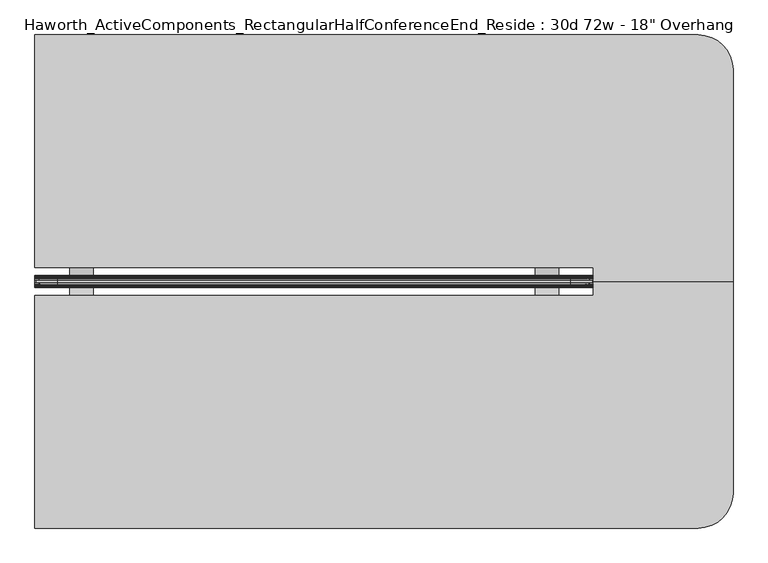
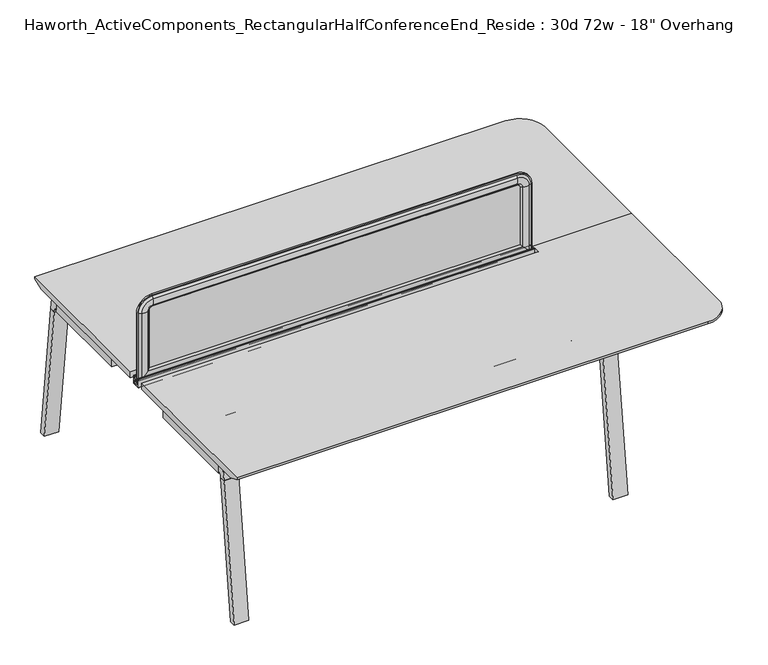
"""IFC4 building model written with IfcOpenShell, lengths in millimetres: furniture geometry."""

from ifc_helpers import new_model, si_unit, point, frame, frame_2d, origin, place, context, project, spatial, polyline, circle_curve, ellipse_curve, trimmed, segment, composite_curve, outline, extrude, source, transform, mapped, element, save
from ifc_brep_helpers import plane_surface, cylinder_surface, revolved_surface, advanced_brep


def furniture_dcbe6745(model_context):
    return source(origin(), model_context, "Body", "SolidModel", [
        extrude(outline(polyline([(-102.8131637, 708.5329874), (-151.7557795, 708.5329874), (-179.9497776, 698.5000242), (-219.096734, 698.5000242), (-247.7511736, 708.5329874), (-296.6937894, 708.5329874), (-296.6937894, 711.1999758), (-247.2908229, 711.1999031), (-219.0967817, 701.1670126), (-180.4101714, 701.1670126), (-152.2161302, 711.1999031), (-102.8131637, 711.1999758), (-102.8131637, 708.5329874)])), frame((939.8, 0.0, 0.0), z_axis=(1.0, 0.0, 0.0), x_axis=(0.0, 1.0, 0.0)), (0.0, 0.0, 1.0), 76.2),
        extrude(outline(polyline([(-102.8131637, 708.5329874), (-151.7557795, 708.5329874), (-179.9497776, 698.5000242), (-219.096734, 698.5000242), (-247.7511736, 708.5329874), (-296.6937894, 708.5329874), (-296.6937894, 711.1999758), (-247.2908229, 711.1999031), (-219.0967817, 701.1670126), (-180.4101714, 701.1670126), (-152.2161302, 711.1999031), (-102.8131637, 711.1999758), (-102.8131637, 708.5329874)])), frame((-584.2, 0.0, 0.0), z_axis=(1.0, 0.0, 0.0), x_axis=(0.0, 1.0, 0.0)), (0.0, 0.0, 1.0), 76.2),
        extrude(outline(composite_curve([segment(polyline([(-208.7577768, 705.1294161), (-190.7491763, 705.1294161), (-190.7491763, 716.8133686), (-194.6734763, 716.8133686), (-194.6734763, 718.8200048), (-189.5045768, 718.8200048), (-189.5045768, 721.0551882), (-188.310777, 722.0711872), (-188.310777, 737.1334219), (-189.5045768, 738.1494209), (-189.5045768, 740.1051882), (-188.4578397, 740.9960276)]), True, "CONTINUOUS"), segment(trimmed(circle_curve(frame_2d((-188.0216309, 740.4834819)), 0.6730388), [point((-188.4578397, 740.9960276))], [point((-187.3580762, 740.5960712))], False, "CARTESIAN"), True, "CONTINUOUS"), segment(polyline([(-187.3580762, 740.5960712), (-186.2533763, 734.0854248), (-186.2533763, 721.131419), (-183.1037763, 721.131419), (-183.1037763, 725.1191843), (-182.3544761, 725.8812017), (-182.3544761, 740.3039756)]), True, "CONTINUOUS"), segment(trimmed(circle_curve(frame_2d((-181.5543762, 740.3039756)), 0.8000999), [point((-182.3544761, 740.3039756))], [point((-180.7542763, 740.3039756))], False, "CARTESIAN"), True, "CONTINUOUS"), segment(polyline([(-180.7542763, 740.3039756), (-180.7542763, 702.1830128)]), True, "CONTINUOUS"), segment(trimmed(circle_curve(frame_2d((-181.7702764, 702.1830128)), 1.0160002), [point((-180.7542763, 702.1830128))], [point((-181.7702764, 701.1670126))], False, "CARTESIAN"), True, "CONTINUOUS"), segment(polyline([(-181.7702764, 701.1670126), (-217.7366767, 701.1670126)]), True, "CONTINUOUS"), segment(trimmed(circle_curve(frame_2d((-217.7366767, 702.1830128)), 1.0160002), [point((-217.7366767, 701.1670126))], [point((-218.7526768, 702.1830128))], False, "CARTESIAN"), True, "CONTINUOUS"), segment(polyline([(-218.7526768, 702.1830128), (-218.7526768, 740.3039756)]), True, "CONTINUOUS"), segment(trimmed(circle_curve(frame_2d((-217.9525769, 740.3039756)), 0.8000999), [point((-218.7526768, 740.3039756))], [point((-217.152477, 740.3039756))], False, "CARTESIAN"), True, "CONTINUOUS"), segment(polyline([(-217.152477, 740.3039756), (-217.152477, 725.8812017), (-216.4031768, 725.1191843), (-216.4031768, 721.131419), (-213.2535769, 721.131419), (-213.2535769, 734.0854248), (-212.1488769, 740.5960712)]), True, "CONTINUOUS"), segment(trimmed(circle_curve(frame_2d((-211.4853222, 740.4834819)), 0.6730388), [point((-212.1488769, 740.5960712))], [point((-211.0491134, 740.9960276))], False, "CARTESIAN"), True, "CONTINUOUS"), segment(polyline([(-211.0491134, 740.9960276), (-210.0023763, 740.1051882), (-210.0023763, 738.1494209), (-211.1961761, 737.1334219), (-211.1961761, 722.0711872), (-210.0023763, 721.0551882), (-210.0023763, 718.8200048), (-204.8334768, 718.8200048), (-204.8334768, 716.8133686), (-208.7577768, 716.8133686), (-208.7577768, 705.1294161)]), True, "CONTINUOUS")], self_intersect=False)), frame((-698.5, 0.0, 0.0), z_axis=(1.0, 0.0, 0.0), x_axis=(0.0, 1.0, 0.0)), (0.0, 0.0, 1.0), 1828.8),
        extrude(outline(composite_curve([segment(polyline([(-891.6458875, 655.8564478), (-885.4428556, 706.4375), (-849.0409766, 706.4375), (-849.0409766, 676.1402033), (-850.2831935, 676.1402033)]), True, "CONTINUOUS"), segment(trimmed(circle_curve(frame_2d((-850.2831935, 663.4402033)), 12.7), [point((-850.2831935, 676.1402033))], [point((-862.8887567, 664.9860929))], True, "CARTESIAN"), True, "CONTINUOUS"), segment(polyline([(-862.8887567, 664.9860929), (-864.4178701, 652.5173267), (-891.6458875, 655.8564478)]), True, "CONTINUOUS")], self_intersect=False)), frame((-692.0507813, 0.0, 0.0), z_axis=(1.0, 0.0, 0.0), x_axis=(0.0, 1.0, 0.0)), (0.0, 0.0, 1.0), 67.6671875),
        extrude(outline(polyline([(-972.0771615, 0.0), (-891.6458875, 655.8564478), (-864.4178701, 652.5173267), (-944.4396597, 0.0), (-972.0771615, 0.0)])), frame((-692.0507813, 0.0, 0.0), z_axis=(1.0, 0.0, 0.0), x_axis=(0.0, 1.0, 0.0)), (0.0, 0.0, 1.0), 67.6671875),
        extrude(outline(composite_curve([segment(polyline([(-891.6458875, 655.8564478), (-885.4428556, 706.4375), (-849.0409766, 706.4375), (-849.0409766, 676.1402033), (-850.2831935, 676.1402033)]), True, "CONTINUOUS"), segment(trimmed(circle_curve(frame_2d((-850.2831935, 663.4402033)), 12.7), [point((-850.2831935, 676.1402033))], [point((-862.8887567, 664.9860929))], True, "CARTESIAN"), True, "CONTINUOUS"), segment(polyline([(-862.8887567, 664.9860929), (-864.4178701, 652.5173267), (-891.6458875, 655.8564478)]), True, "CONTINUOUS")], self_intersect=False)), frame((1056.1835937, 0.0, 0.0), z_axis=(1.0, 0.0, 0.0), x_axis=(0.0, 1.0, 0.0)), (0.0, 0.0, 1.0), 67.6671875),
        extrude(outline(polyline([(-972.0771615, 0.0), (-891.6458875, 655.8564478), (-864.4178701, 652.5173267), (-944.4396597, 0.0), (-972.0771615, 0.0)])), frame((1056.1835937, 0.0, 0.0), z_axis=(1.0, 0.0, 0.0), x_axis=(0.0, 1.0, 0.0)), (0.0, 0.0, 1.0), 67.6671875),
        extrude(outline(composite_curve([segment(polyline([(492.1389344, 655.8564478), (464.910917, 652.5173267), (463.3818036, 664.9860929)]), True, "CONTINUOUS"), segment(trimmed(circle_curve(frame_2d((450.7762403, 663.4402033)), 12.7), [point((463.3818036, 664.9860929))], [point((450.7762403, 676.1402033))], True, "CARTESIAN"), True, "CONTINUOUS"), segment(polyline([(450.7762403, 676.1402033), (449.5340234, 676.1402033), (449.5340234, 706.4375), (485.9359025, 706.4375), (492.1389344, 655.8564478)]), True, "CONTINUOUS")], self_intersect=False)), frame((-692.0507813, 0.0, 0.0), z_axis=(1.0, 0.0, 0.0), x_axis=(0.0, 1.0, 0.0)), (0.0, 0.0, 1.0), 67.6671875),
        extrude(outline(polyline([(572.5702084, 0.0), (544.9327065, 0.0), (464.910917, 652.5173267), (492.1389344, 655.8564478), (572.5702084, 0.0)])), frame((-692.0507813, 0.0, 0.0), z_axis=(1.0, 0.0, 0.0), x_axis=(0.0, 1.0, 0.0)), (0.0, 0.0, 1.0), 67.6671875),
        extrude(outline(composite_curve([segment(polyline([(492.1389344, 655.8564478), (464.910917, 652.5173267), (463.3818036, 664.9860929)]), True, "CONTINUOUS"), segment(trimmed(circle_curve(frame_2d((450.7762403, 663.4402033)), 12.7), [point((463.3818036, 664.9860929))], [point((450.7762403, 676.1402033))], True, "CARTESIAN"), True, "CONTINUOUS"), segment(polyline([(450.7762403, 676.1402033), (449.5340234, 676.1402033), (449.5340234, 706.4375), (485.9359025, 706.4375), (492.1389344, 655.8564478)]), True, "CONTINUOUS")], self_intersect=False)), frame((1056.1835937, 0.0, 0.0), z_axis=(1.0, 0.0, 0.0), x_axis=(0.0, 1.0, 0.0)), (0.0, 0.0, 1.0), 67.6671875),
        extrude(outline(polyline([(572.5702084, 0.0), (544.9327065, 0.0), (464.910917, 652.5173267), (492.1389344, 655.8564478), (572.5702084, 0.0)])), frame((1056.1835937, 0.0, 0.0), z_axis=(1.0, 0.0, 0.0), x_axis=(0.0, 1.0, 0.0)), (0.0, 0.0, 1.0), 67.6671875),
        extrude(outline(composite_curve([segment(trimmed(circle_curve(frame_2d((331.6621484, 673.1634651)), 1.5875), [point((331.6621484, 671.5759651))], [point((330.0746484, 673.1634651))], False, "CARTESIAN"), True, "CONTINUOUS"), segment(polyline([(330.0746484, 673.1634651), (330.0746484, 705.040468)]), True, "CONTINUOUS"), segment(trimmed(circle_curve(frame_2d((331.6621484, 705.040468)), 1.5875), [point((330.0746484, 705.040468))], [point((331.6621484, 706.627968))], False, "CARTESIAN"), True, "CONTINUOUS"), segment(polyline([(331.6621484, 706.627968), (363.5391514, 706.627968)]), True, "CONTINUOUS"), segment(trimmed(circle_curve(frame_2d((363.5391514, 705.040468)), 1.5875), [point((363.5391514, 706.627968))], [point((365.1266514, 705.040468))], False, "CARTESIAN"), True, "CONTINUOUS"), segment(polyline([(365.1266514, 705.040468), (365.1266514, 673.1634651)]), True, "CONTINUOUS"), segment(trimmed(circle_curve(frame_2d((363.5391514, 673.1634651)), 1.5875), [point((365.1266514, 673.1634651))], [point((363.5391514, 671.5759651))], False, "CARTESIAN"), True, "CONTINUOUS"), segment(polyline([(363.5391514, 671.5759651), (331.6621484, 671.5759651)]), True, "CONTINUOUS")], self_intersect=False)), frame((-552.0569067, 0.0, 0.0), z_axis=(1.0, 0.0, 0.0), x_axis=(0.0, 1.0, 0.0)), (0.0, 0.0, 1.0), 1535.9138134),
        extrude(outline(composite_curve([segment(polyline([(122.9058984, 671.5759651), (91.0288955, 671.5759651)]), True, "CONTINUOUS"), segment(trimmed(circle_curve(frame_2d((91.0288955, 673.1634651)), 1.5875), [point((91.0288955, 671.5759651))], [point((89.4413955, 673.1634651))], False, "CARTESIAN"), True, "CONTINUOUS"), segment(polyline([(89.4413955, 673.1634651), (89.4413955, 705.040468)]), True, "CONTINUOUS"), segment(trimmed(circle_curve(frame_2d((91.0288955, 705.040468)), 1.5875), [point((89.4413955, 705.040468))], [point((91.0288955, 706.627968))], False, "CARTESIAN"), True, "CONTINUOUS"), segment(polyline([(91.0288955, 706.627968), (122.9058984, 706.627968)]), True, "CONTINUOUS"), segment(trimmed(circle_curve(frame_2d((122.9058984, 705.040468)), 1.5875), [point((122.9058984, 706.627968))], [point((124.4933984, 705.040468))], False, "CARTESIAN"), True, "CONTINUOUS"), segment(polyline([(124.4933984, 705.040468), (124.4933984, 673.1634651)]), True, "CONTINUOUS"), segment(trimmed(circle_curve(frame_2d((122.9058984, 673.1634651)), 1.5875), [point((124.4933984, 673.1634651))], [point((122.9058984, 671.5759651))], False, "CARTESIAN"), True, "CONTINUOUS")], self_intersect=False)), frame((-552.0569067, 0.0, 0.0), z_axis=(1.0, 0.0, 0.0), x_axis=(0.0, 1.0, 0.0)), (0.0, 0.0, 1.0), 1535.9138134),
        extrude(outline(polyline([(-692.2109398, 449.3435251), (-624.7009067, 449.3435251), (-624.7009067, 441.9775234), (-552.0569067, 369.3335234), (-552.0569067, 294.4035234), (-624.7009067, 265.1300234), (-624.7009067, 189.4380234), (-552.0569067, 160.1645234), (-552.0569067, 85.2345234), (-624.7009067, 12.5905234), (-624.7009067, 5.2245217), (-692.2109398, 5.2245217), (-692.2109398, 449.3435251)])), frame((0.0, 0.0, 665.95625), z_axis=(0.0, 0.0, 1.0), x_axis=(1.0, 0.0, 0.0)), (0.0, 0.0, 1.0), 45.24375),
        extrude(outline(polyline([(1124.0109398, 449.3435251), (1124.0109398, 5.2245217), (1056.5009067, 5.2245217), (1056.5009067, 12.5905234), (983.8569067, 85.2345234), (983.8569067, 160.1645234), (1056.5009067, 189.4380234), (1056.5009067, 265.1300234), (983.8569067, 294.4035234), (983.8569067, 369.3335234), (1056.5009067, 441.9775234), (1056.5009067, 449.3435251), (1124.0109398, 449.3435251)])), frame((0.0, 0.0, 665.95625), z_axis=(0.0, 0.0, 1.0), x_axis=(1.0, 0.0, 0.0)), (0.0, 0.0, 1.0), 45.24375),
        advanced_brep(
        [(1130.3, -153.7159766, 741.3625), (1130.3, -199.7534766, 741.3625), (1587.5, -199.7534766, 741.3625), (1587.5, 493.9840234, 741.3625), (1473.2, 608.2840234, 741.3625), (-698.5, 608.2840234, 741.3625), (-698.5, -153.7159766, 741.3625), (1130.3, -153.7159766, 711.2), (-698.5, -153.7159766, 711.2), (-698.5, 557.4840234, 711.2), (1473.2, 557.4840234, 711.2), (1536.7, 493.9840234, 711.2), (1536.7, -199.7534766, 711.2), (1130.3, -199.7534766, 711.2), (-698.5, 608.2840234, 731.8375), (1473.2, 608.2840234, 731.8375), (1587.5, -199.7534766, 731.8375), (1587.5, 493.9840234, 731.8375)],
        [
            (0, 1),
            (1, 2),
            (2, 3),
            (3, 4, circle_curve(frame((1473.2, 493.9840234, 741.3625), z_axis=(0.0, 0.0, 1.0), x_axis=(1.0, 0.0, 0.0)), 114.3)),
            (4, 5),
            (5, 6),
            (6, 0),
            (7, 8),
            (8, 9),
            (9, 10),
            (10, 11, circle_curve(frame((1473.2, 493.9840234, 711.2), z_axis=(0.0, 0.0, -1.0), x_axis=(0.0, 1.0, 0.0)), 63.5)),
            (11, 12),
            (12, 13),
            (13, 7),
            (6, 8),
            (7, 0),
            (5, 14),
            (14, 9),
            (4, 15),
            (15, 14),
            (2, 16),
            (16, 17),
            (17, 3),
            (17, 15, circle_curve(frame((1473.2, 493.9840234, 731.8375), z_axis=(0.0, 0.0, 1.0), x_axis=(1.0, 0.0, 0.0)), 114.3)),
            (1, 13),
            (12, 16),
            (15, 10),
            (17, 11),
        ],
        [
            plane_surface(frame((-698.5, -153.7159766, 741.3625), z_axis=(0.0, 0.0, 1.0), x_axis=(-1.0, 0.0, 0.0))),
            plane_surface(frame((-698.5, -153.7159766, 711.2), z_axis=(0.0, 0.0, -1.0), x_axis=(1.0, 0.0, 0.0))),
            plane_surface(frame((1130.3, -153.7159766, 741.3625), z_axis=(0.0, -1.0, 0.0), x_axis=(0.0, 0.0, -1.0))),
            plane_surface(frame((-698.5, -153.7159766, 741.3625), z_axis=(-1.0, 0.0, 0.0), x_axis=(0.0, 0.0, -1.0))),
            plane_surface(frame((-698.5, 608.2840234, 741.3625), z_axis=(0.0, 1.0, 0.0), x_axis=(0.0, 0.0, -1.0))),
            plane_surface(frame((1587.5, 493.9840234, 741.3625), z_axis=(1.0, 0.0, 0.0), x_axis=(0.0, 0.0, -1.0))),
            cylinder_surface(frame((1473.2, 493.9840234, 711.2), z_axis=(0.0, 0.0, 1.0), x_axis=(1.0, 0.0, 0.0)), 114.3),
            plane_surface(frame((1587.5, -199.7534766, 741.3625), z_axis=(0.0, -1.0, 0.0), x_axis=(0.0, 0.0, -1.0))),
            plane_surface(frame((1130.3, -199.7534766, 741.3625), z_axis=(-1.0, 0.0, 0.0), x_axis=(0.0, 0.0, -1.0))),
            plane_surface(frame((-698.5, 608.2840234, 731.8375), z_axis=(0.0, 0.376377046957703, -0.9264665771215921), x_axis=(1.0, 0.0, 0.0))),
            revolved_surface(polyline([(1473.2, 557.4840234, 711.2), (1473.2, 608.2840234, 731.8375)]), (1473.2, 493.9840234, 0.0), (0.0, 0.0, 1.0)),
            plane_surface(frame((1587.5, 493.9840234, 731.8375), z_axis=(0.376377046957703, 0.0, -0.9264665771215921), x_axis=(0.0, -1.0, 0.0))),
        ],
        [
            (0, [[1, 2, 3, 4, 5, 6, 7]]),
            (1, [[8, 9, 10, 11, 12, 13, 14]]),
            (2, [[15, -8, 16, -7]]),
            (3, [[17, 18, -9, -15, -6]]),
            (4, [[19, 20, -17, -5]]),
            (5, [[21, 22, 23, -3]]),
            (6, [[-23, 24, -19, -4]]),
            (7, [[25, -13, 26, -21, -2]]),
            (8, [[-16, -14, -25, -1]]),
            (9, [[-10, -18, -20, 27]]),
            (10, [[-24, 28, -11, -27]]),
            (11, [[-22, -26, -12, -28]]),
        ],
    ),
        advanced_brep(
        [(-694.5096882, -202.9284766, 1050.2564604), (-694.5096882, -196.5784766, 1050.2564604), (-694.5096882, -196.5784766, 715.4852418), (-694.5096882, -202.9284766, 715.4852418), (-678.9815318, -209.5746374, 1050.2564604), (-688.6365135, -202.9284766, 1050.2564604), (-688.6365135, -202.9284766, 721.3584165), (-678.9815318, -209.5746374, 731.0133982), (-650.0002339, -209.0412011, 1050.2564604), (-650.0002339, -209.0412011, 759.994696), (-640.207009, -202.9284766, 1050.2564604), (-640.207009, -202.9284766, 769.787921), (-640.207009, -196.5784766, 1050.2564604), (-640.207009, -196.5784766, 769.787921), (-650.0002339, -190.465752, 1050.2564604), (-650.0002339, -190.465752, 759.994696), (-678.9815318, -189.9323157, 1050.2564604), (-678.9815318, -189.9323157, 731.0133982), (-688.6365135, -196.5784766, 1050.2564604), (-688.6365135, -196.5784766, 721.3584165), (1126.3096859, -196.5784766, 715.4852418), (1126.3096859, -202.9284766, 715.4852418), (1120.4365112, -202.9284766, 721.3584165), (1110.7815295, -209.5746374, 731.0133982), (1081.8002317, -209.0412011, 759.994696), (1072.0070068, -202.9284766, 769.787921), (1072.0070068, -196.5784766, 769.787921), (1081.8002317, -190.465752, 759.994696), (1110.7815295, -189.9323157, 731.0133982), (1120.4365112, -196.5784766, 721.3584165), (1126.3096859, -196.5784766, 1050.2564604), (1126.3096859, -202.9284766, 1050.2564604), (1120.4365112, -202.9284766, 1050.2564604), (1110.7815295, -209.5746374, 1050.2564604), (1081.8002317, -209.0412011, 1050.2564604), (1072.0070068, -202.9284766, 1050.2564604), (1072.0070068, -196.5784766, 1050.2564604), (1081.8002317, -190.465752, 1050.2564604), (1110.7815295, -189.9323157, 1050.2564604), (1120.4365112, -196.5784766, 1050.2564604), (1056.1320068, -202.9284766, 1120.4341395), (1056.1320068, -196.5784766, 1120.4341395), (1056.1320068, -209.5746374, 1104.9059832), (1056.1320068, -202.9284766, 1114.5609648), (1056.1320068, -209.0412011, 1075.9246853), (1056.1320068, -202.9284766, 1066.1314604), (1056.1320068, -196.5784766, 1066.1314604), (1056.1320068, -190.465752, 1075.9246853), (1056.1320068, -189.9323157, 1104.9059832), (1056.1320068, -196.5784766, 1114.5609648), (-624.332009, -196.5784766, 1120.4341395), (-624.332009, -202.9284766, 1120.4341395), (-624.332009, -202.9284766, 1114.5609648), (-624.332009, -209.5746374, 1104.9059832), (-624.332009, -209.0412011, 1075.9246853), (-624.332009, -202.9284766, 1066.1314604), (-624.332009, -196.5784766, 1066.1314604), (-624.332009, -190.465752, 1075.9246853), (-624.332009, -189.9323157, 1104.9059832), (-624.332009, -196.5784766, 1114.5609648)],
        [
            (0, 1),
            (1, 2),
            (2, 3),
            (3, 0),
            (4, 5, circle_curve(frame((-674.7864346, -193.1443023, 1050.2564604), z_axis=(0.0, 0.0, -1.0), x_axis=(0.0, -1.0, 0.0)), 16.9574394)),
            (5, 6),
            (6, 7, ellipse_curve(frame((-674.7864346, -193.1443023, 735.2084954), z_axis=(-0.707106781186545, 0.0, 0.7071067811865499), x_axis=(0.7071067811865498, 0.0, 0.7071067811865452)), 23.9814408, 16.9574394)),
            (7, 4),
            (8, 4, circle_curve(frame((-665.4606786, -156.619453, 1050.2564604), z_axis=(0.0, 0.0, -1.0), x_axis=(0.0, -1.0, 0.0)), 54.6540486)),
            (7, 9, ellipse_curve(frame((-665.4606786, -156.619453, 744.5342514), z_axis=(-0.707106781186545, 0.0, 0.7071067811865499), x_axis=(0.7071067811865498, 0.0, 0.7071067811865452)), 77.2924967, 54.6540486)),
            (9, 8),
            (10, 8, circle_curve(frame((-656.0950958, -188.375346, 1050.2564604), z_axis=(0.0, 0.0, -1.0), x_axis=(0.0, -1.0, 0.0)), 21.5458792)),
            (9, 11, ellipse_curve(frame((-656.0950958, -188.375346, 753.8998342), z_axis=(-0.707106781186545, 0.0, 0.7071067811865499), x_axis=(0.7071067811865498, 0.0, 0.7071067811865452)), 30.4704745, 21.5458792)),
            (11, 10),
            (12, 10),
            (11, 13),
            (13, 12),
            (14, 12, circle_curve(frame((-656.0950958, -211.1316071, 1050.2564604), z_axis=(0.0, 0.0, -1.0), x_axis=(0.0, -1.0, 0.0)), 21.5458792)),
            (13, 15, ellipse_curve(frame((-656.0950958, -211.1316071, 753.8998342), z_axis=(-0.707106781186545, 0.0, 0.7071067811865499), x_axis=(0.7071067811865498, 0.0, 0.7071067811865452)), 30.4704745, 21.5458792)),
            (15, 14),
            (16, 14, circle_curve(frame((-665.4606786, -242.8875001, 1050.2564604), z_axis=(0.0, 0.0, -1.0), x_axis=(0.0, -1.0, 0.0)), 54.6540486)),
            (15, 17, ellipse_curve(frame((-665.4606786, -242.8875001, 744.5342514), z_axis=(-0.707106781186545, 0.0, 0.7071067811865499), x_axis=(0.7071067811865498, 0.0, 0.7071067811865452)), 77.2924967, 54.6540486)),
            (17, 16),
            (18, 16, circle_curve(frame((-674.7864346, -206.3626508, 1050.2564604), z_axis=(0.0, 0.0, -1.0), x_axis=(0.0, -1.0, 0.0)), 16.9574394)),
            (17, 19, ellipse_curve(frame((-674.7864346, -206.3626508, 735.2084954), z_axis=(-0.707106781186545, 0.0, 0.7071067811865499), x_axis=(0.7071067811865498, 0.0, 0.7071067811865452)), 23.9814408, 16.9574394)),
            (19, 18),
            (2, 20),
            (20, 21),
            (21, 3),
            (6, 22),
            (22, 23, ellipse_curve(frame((1106.5864323, -193.1443023, 735.2084954), z_axis=(-0.70710678118655, 0.0, -0.7071067811865451), x_axis=(-0.7071067811865449, 0.0, 0.7071067811865501)), 23.9814408, 16.9574394)),
            (23, 7),
            (23, 24, ellipse_curve(frame((1097.2606764, -156.619453, 744.5342514), z_axis=(-0.70710678118655, 0.0, -0.7071067811865451), x_axis=(-0.7071067811865449, 0.0, 0.7071067811865501)), 77.2924967, 54.6540486)),
            (24, 9),
            (24, 25, ellipse_curve(frame((1087.8950935, -188.375346, 753.8998342), z_axis=(-0.70710678118655, 0.0, -0.7071067811865451), x_axis=(-0.7071067811865449, 0.0, 0.7071067811865501)), 30.4704745, 21.5458792)),
            (25, 11),
            (25, 26),
            (26, 13),
            (26, 27, ellipse_curve(frame((1087.8950935, -211.1316071, 753.8998342), z_axis=(-0.70710678118655, 0.0, -0.7071067811865451), x_axis=(-0.7071067811865449, 0.0, 0.7071067811865501)), 30.4704745, 21.5458792)),
            (27, 15),
            (27, 28, ellipse_curve(frame((1097.2606764, -242.8875001, 744.5342514), z_axis=(-0.70710678118655, 0.0, -0.7071067811865451), x_axis=(-0.7071067811865449, 0.0, 0.7071067811865501)), 77.2924967, 54.6540486)),
            (28, 17),
            (28, 29, ellipse_curve(frame((1106.5864323, -206.3626508, 735.2084954), z_axis=(-0.70710678118655, 0.0, -0.7071067811865451), x_axis=(-0.7071067811865449, 0.0, 0.7071067811865501)), 23.9814408, 16.9574394)),
            (29, 19),
            (20, 30),
            (30, 31),
            (31, 21),
            (22, 32),
            (32, 33, circle_curve(frame((1106.5864323, -193.1443023, 1050.2564604), z_axis=(0.0, 0.0, -1.0), x_axis=(0.0, -1.0, 0.0)), 16.9574394)),
            (33, 23),
            (33, 34, circle_curve(frame((1097.2606764, -156.619453, 1050.2564604), z_axis=(0.0, 0.0, -1.0), x_axis=(0.0, -1.0, 0.0)), 54.6540486)),
            (34, 24),
            (34, 35, circle_curve(frame((1087.8950935, -188.375346, 1050.2564604), z_axis=(0.0, 0.0, -1.0), x_axis=(0.0, -1.0, 0.0)), 21.5458792)),
            (35, 25),
            (35, 36),
            (36, 26),
            (36, 37, circle_curve(frame((1087.8950935, -211.1316071, 1050.2564604), z_axis=(0.0, 0.0, -1.0), x_axis=(0.0, -1.0, 0.0)), 21.5458792)),
            (37, 27),
            (37, 38, circle_curve(frame((1097.2606764, -242.8875001, 1050.2564604), z_axis=(0.0, 0.0, -1.0), x_axis=(0.0, -1.0, 0.0)), 54.6540486)),
            (38, 28),
            (38, 39, circle_curve(frame((1106.5864323, -206.3626508, 1050.2564604), z_axis=(0.0, 0.0, -1.0), x_axis=(0.0, -1.0, 0.0)), 16.9574394)),
            (39, 29),
            (40, 31, circle_curve(frame((1056.1320068, -202.9284766, 1050.2564604), z_axis=(0.0, 1.0, 0.0), x_axis=(1.0, 0.0, 0.0)), 70.1776791)),
            (30, 41, circle_curve(frame((1056.1320068, -196.5784766, 1050.2564604), z_axis=(0.0, -1.0, 0.0), x_axis=(1.0, 0.0, 0.0)), 70.1776791)),
            (41, 40),
            (42, 33, circle_curve(frame((1056.1320068, -209.5746374, 1050.2564604), z_axis=(0.0, 1.0, 0.0), x_axis=(1.0, 0.0, 0.0)), 54.6495228)),
            (32, 43, circle_curve(frame((1056.1320068, -202.9284766, 1050.2564604), z_axis=(0.0, -1.0, 0.0), x_axis=(1.0, 0.0, 0.0)), 64.3045045)),
            (43, 42, circle_curve(frame((1056.1320068, -193.1443023, 1100.7108859), z_axis=(1.0, 0.0, 0.0), x_axis=(0.0, -1.0, 0.0)), 16.9574394)),
            (44, 34, circle_curve(frame((1056.1320068, -209.0412011, 1050.2564604), z_axis=(0.0, 1.0, 0.0), x_axis=(1.0, 0.0, 0.0)), 25.6682249)),
            (42, 44, circle_curve(frame((1056.1320068, -156.619453, 1091.38513), z_axis=(1.0, 0.0, 0.0), x_axis=(0.0, -1.0, 0.0)), 54.6540486)),
            (45, 35, circle_curve(frame((1056.1320068, -202.9284766, 1050.2564604), z_axis=(0.0, 1.0, 0.0), x_axis=(1.0, 0.0, 0.0)), 15.875)),
            (44, 45, circle_curve(frame((1056.1320068, -188.375346, 1082.0195471), z_axis=(1.0, 0.0, 0.0), x_axis=(0.0, -1.0, 0.0)), 21.5458792)),
            (46, 36, circle_curve(frame((1056.1320068, -196.5784766, 1050.2564604), z_axis=(0.0, 1.0, 0.0), x_axis=(1.0, 0.0, 0.0)), 15.875)),
            (45, 46),
            (47, 37, circle_curve(frame((1056.1320068, -190.465752, 1050.2564604), z_axis=(0.0, 1.0, 0.0), x_axis=(1.0, 0.0, 0.0)), 25.6682249)),
            (46, 47, circle_curve(frame((1056.1320068, -211.1316071, 1082.0195471), z_axis=(1.0, 0.0, 0.0), x_axis=(0.0, -1.0, 0.0)), 21.5458792)),
            (48, 38, circle_curve(frame((1056.1320068, -189.9323157, 1050.2564604), z_axis=(0.0, 1.0, 0.0), x_axis=(1.0, 0.0, 0.0)), 54.6495228)),
            (47, 48, circle_curve(frame((1056.1320068, -242.8875001, 1091.38513), z_axis=(1.0, 0.0, 0.0), x_axis=(0.0, -1.0, 0.0)), 54.6540486)),
            (49, 39, circle_curve(frame((1056.1320068, -196.5784766, 1050.2564604), z_axis=(0.0, 1.0, 0.0), x_axis=(1.0, 0.0, 0.0)), 64.3045045)),
            (48, 49, circle_curve(frame((1056.1320068, -206.3626508, 1100.7108859), z_axis=(1.0, 0.0, 0.0), x_axis=(0.0, -1.0, 0.0)), 16.9574394)),
            (41, 50),
            (50, 51),
            (51, 40),
            (43, 52),
            (52, 53, circle_curve(frame((-624.332009, -193.1443023, 1100.7108859), z_axis=(1.0, 0.0, 0.0), x_axis=(0.0, -1.0, 0.0)), 16.9574394)),
            (53, 42),
            (53, 54, circle_curve(frame((-624.332009, -156.619453, 1091.38513), z_axis=(1.0, 0.0, 0.0), x_axis=(0.0, -1.0, 0.0)), 54.6540486)),
            (54, 44),
            (54, 55, circle_curve(frame((-624.332009, -188.375346, 1082.0195471), z_axis=(1.0, 0.0, 0.0), x_axis=(0.0, -1.0, 0.0)), 21.5458792)),
            (55, 45),
            (55, 56),
            (56, 46),
            (56, 57, circle_curve(frame((-624.332009, -211.1316071, 1082.0195471), z_axis=(1.0, 0.0, 0.0), x_axis=(0.0, -1.0, 0.0)), 21.5458792)),
            (57, 47),
            (57, 58, circle_curve(frame((-624.332009, -242.8875001, 1091.38513), z_axis=(1.0, 0.0, 0.0), x_axis=(0.0, -1.0, 0.0)), 54.6540486)),
            (58, 48),
            (58, 59, circle_curve(frame((-624.332009, -206.3626508, 1100.7108859), z_axis=(1.0, 0.0, 0.0), x_axis=(0.0, -1.0, 0.0)), 16.9574394)),
            (59, 49),
            (0, 51, circle_curve(frame((-624.332009, -202.9284766, 1050.2564604), z_axis=(0.0, 1.0, 0.0), x_axis=(0.0, 0.0, 1.0)), 70.1776791)),
            (50, 1, circle_curve(frame((-624.332009, -196.5784766, 1050.2564604), z_axis=(0.0, -1.0, 0.0), x_axis=(0.0, 0.0, 1.0)), 70.1776791)),
            (5, 52, circle_curve(frame((-624.332009, -202.9284766, 1050.2564604), z_axis=(0.0, 1.0, 0.0), x_axis=(0.0, 0.0, 1.0)), 64.3045045)),
            (4, 53, circle_curve(frame((-624.332009, -209.5746374, 1050.2564604), z_axis=(0.0, 1.0, 0.0), x_axis=(0.0, 0.0, 1.0)), 54.6495228)),
            (8, 54, circle_curve(frame((-624.332009, -209.0412011, 1050.2564604), z_axis=(0.0, 1.0, 0.0), x_axis=(0.0, 0.0, 1.0)), 25.6682249)),
            (10, 55, circle_curve(frame((-624.332009, -202.9284766, 1050.2564604), z_axis=(0.0, 1.0, 0.0), x_axis=(0.0, 0.0, 1.0)), 15.875)),
            (12, 56, circle_curve(frame((-624.332009, -196.5784766, 1050.2564604), z_axis=(0.0, 1.0, 0.0), x_axis=(0.0, 0.0, 1.0)), 15.875)),
            (14, 57, circle_curve(frame((-624.332009, -190.465752, 1050.2564604), z_axis=(0.0, 1.0, 0.0), x_axis=(0.0, 0.0, 1.0)), 25.6682249)),
            (16, 58, circle_curve(frame((-624.332009, -189.9323157, 1050.2564604), z_axis=(0.0, 1.0, 0.0), x_axis=(0.0, 0.0, 1.0)), 54.6495228)),
            (18, 59, circle_curve(frame((-624.332009, -196.5784766, 1050.2564604), z_axis=(0.0, 1.0, 0.0), x_axis=(0.0, 0.0, 1.0)), 64.3045045)),
        ],
        [
            plane_surface(frame((-694.5096882, -196.5784766, 1050.2564604), z_axis=(-1.0, 0.0, 0.0), x_axis=(0.0, 0.0, -1.0))),
            cylinder_surface(frame((-674.7864346, -193.1443023, 1050.2564604), z_axis=(0.0, 0.0, 1.0), x_axis=(0.0, -1.0, 0.0)), 16.9574394),
            cylinder_surface(frame((-665.4606786, -156.619453, 1050.2564604), z_axis=(0.0, 0.0, 1.0), x_axis=(0.0, -1.0, 0.0)), 54.6540486),
            cylinder_surface(frame((-656.0950958, -188.375346, 1050.2564604), z_axis=(0.0, 0.0, 1.0), x_axis=(0.0, -1.0, 0.0)), 21.5458792),
            plane_surface(frame((-640.207009, -202.9284766, 1050.2564604), z_axis=(1.0, 0.0, 0.0), x_axis=(0.0, 0.0, -1.0))),
            cylinder_surface(frame((-656.0950958, -211.1316071, 1050.2564604), z_axis=(0.0, 0.0, 1.0), x_axis=(0.0, -1.0, 0.0)), 21.5458792),
            cylinder_surface(frame((-665.4606786, -242.8875001, 1050.2564604), z_axis=(0.0, 0.0, 1.0), x_axis=(0.0, -1.0, 0.0)), 54.6540486),
            cylinder_surface(frame((-674.7864346, -206.3626508, 1050.2564604), z_axis=(0.0, 0.0, 1.0), x_axis=(0.0, -1.0, 0.0)), 16.9574394),
            plane_surface(frame((-694.5096882, -196.5784766, 715.4852418), z_axis=(0.0, 0.0, -1.0), x_axis=(1.0, 0.0, 0.0))),
            cylinder_surface(frame((-640.207009, -193.1443023, 735.2084954), z_axis=(-1.0, 0.0, 0.0), x_axis=(0.0, -1.0, 0.0)), 16.9574394),
            cylinder_surface(frame((-640.207009, -156.619453, 744.5342514), z_axis=(-1.0, 0.0, 0.0), x_axis=(0.0, -1.0, 0.0)), 54.6540486),
            cylinder_surface(frame((-640.207009, -188.375346, 753.8998342), z_axis=(-1.0, 0.0, 0.0), x_axis=(0.0, -1.0, 0.0)), 21.5458792),
            plane_surface(frame((-640.207009, -202.9284766, 769.787921), z_axis=(0.0, 0.0, 1.0), x_axis=(1.0, 0.0, 0.0))),
            cylinder_surface(frame((-640.207009, -211.1316071, 753.8998342), z_axis=(-1.0, 0.0, 0.0), x_axis=(0.0, -1.0, 0.0)), 21.5458792),
            cylinder_surface(frame((-640.207009, -242.8875001, 744.5342514), z_axis=(-1.0, 0.0, 0.0), x_axis=(0.0, -1.0, 0.0)), 54.6540486),
            cylinder_surface(frame((-640.207009, -206.3626508, 735.2084954), z_axis=(-1.0, 0.0, 0.0), x_axis=(0.0, -1.0, 0.0)), 16.9574394),
            plane_surface(frame((1126.3096859, -196.5784766, 715.4852418), z_axis=(1.0, 0.0, 0.0), x_axis=(0.0, 0.0, 1.0))),
            cylinder_surface(frame((1106.5864323, -193.1443023, 769.787921), z_axis=(0.0, 0.0, -1.0), x_axis=(0.0, -1.0, 0.0)), 16.9574394),
            cylinder_surface(frame((1097.2606764, -156.619453, 769.787921), z_axis=(0.0, 0.0, -1.0), x_axis=(0.0, -1.0, 0.0)), 54.6540486),
            cylinder_surface(frame((1087.8950935, -188.375346, 769.787921), z_axis=(0.0, 0.0, -1.0), x_axis=(0.0, -1.0, 0.0)), 21.5458792),
            plane_surface(frame((1072.0070068, -202.9284766, 769.787921), z_axis=(-1.0, 0.0, 0.0), x_axis=(0.0, 0.0, 1.0))),
            cylinder_surface(frame((1087.8950935, -211.1316071, 769.787921), z_axis=(0.0, 0.0, -1.0), x_axis=(0.0, -1.0, 0.0)), 21.5458792),
            cylinder_surface(frame((1097.2606764, -242.8875001, 769.787921), z_axis=(0.0, 0.0, -1.0), x_axis=(0.0, -1.0, 0.0)), 54.6540486),
            cylinder_surface(frame((1106.5864323, -206.3626508, 769.787921), z_axis=(0.0, 0.0, -1.0), x_axis=(0.0, -1.0, 0.0)), 16.9574394),
            cylinder_surface(frame((1056.1320068, -202.9284766, 1050.2564604), z_axis=(0.0, -1.0, 0.0), x_axis=(1.0, 0.0, 0.0)), 70.1776791),
            revolved_surface(trimmed(ellipse_curve(frame((1106.5864323, -193.1443023, 1050.2564604), z_axis=(0.0, 0.0, -1.0), x_axis=(0.0, -1.0, 0.0)), 16.9574394, 16.9574394), [point((1120.4365112, -202.9284766, 1050.2564604))], [point((1110.7815295, -209.5746374, 1050.2564604))], True, "CARTESIAN"), (1056.1320068, -202.9284766, 1050.2564604), (0.0, -1.0, 0.0)),
            revolved_surface(trimmed(ellipse_curve(frame((1097.2606764, -156.619453, 1050.2564604), z_axis=(0.0, 0.0, -1.0), x_axis=(0.0, -1.0, 0.0)), 54.6540486, 54.6540486), [point((1110.7815295, -209.5746374, 1050.2564604))], [point((1081.8002317, -209.0412011, 1050.2564604))], True, "CARTESIAN"), (1056.1320068, -202.9284766, 1050.2564604), (0.0, -1.0, 0.0)),
            revolved_surface(trimmed(ellipse_curve(frame((1087.8950935, -188.375346, 1050.2564604), z_axis=(0.0, 0.0, -1.0), x_axis=(0.0, -1.0, 0.0)), 21.5458792, 21.5458792), [point((1081.8002317, -209.0412011, 1050.2564604))], [point((1072.0070068, -202.9284766, 1050.2564604))], True, "CARTESIAN"), (1056.1320068, -202.9284766, 1050.2564604), (0.0, -1.0, 0.0)),
            revolved_surface(polyline([(1072.0070068, -202.9284766, 1050.2564604), (1072.0070068, -196.5784766, 1050.2564604)]), (1056.1320068, -202.9284766, 1050.2564604), (0.0, -1.0, 0.0)),
            revolved_surface(trimmed(ellipse_curve(frame((1087.8950935, -211.1316071, 1050.2564604), z_axis=(0.0, 0.0, -1.0), x_axis=(0.0, -1.0, 0.0)), 21.5458792, 21.5458792), [point((1072.0070068, -196.5784766, 1050.2564604))], [point((1081.8002317, -190.465752, 1050.2564604))], True, "CARTESIAN"), (1056.1320068, -202.9284766, 1050.2564604), (0.0, -1.0, 0.0)),
            revolved_surface(trimmed(ellipse_curve(frame((1097.2606764, -242.8875001, 1050.2564604), z_axis=(0.0, 0.0, -1.0), x_axis=(0.0, -1.0, 0.0)), 54.6540486, 54.6540486), [point((1081.8002317, -190.465752, 1050.2564604))], [point((1110.7815295, -189.9323157, 1050.2564604))], True, "CARTESIAN"), (1056.1320068, -202.9284766, 1050.2564604), (0.0, -1.0, 0.0)),
            revolved_surface(trimmed(ellipse_curve(frame((1106.5864323, -206.3626508, 1050.2564604), z_axis=(0.0, 0.0, -1.0), x_axis=(0.0, -1.0, 0.0)), 16.9574394, 16.9574394), [point((1110.7815295, -189.9323157, 1050.2564604))], [point((1120.4365112, -196.5784766, 1050.2564604))], True, "CARTESIAN"), (1056.1320068, -202.9284766, 1050.2564604), (0.0, -1.0, 0.0)),
            plane_surface(frame((1056.1320068, -196.5784766, 1120.4341395), z_axis=(0.0, 0.0, 1.0), x_axis=(-1.0, 0.0, 0.0))),
            cylinder_surface(frame((1056.1320068, -193.1443023, 1100.7108859), z_axis=(1.0, 0.0, 0.0), x_axis=(0.0, -1.0, 0.0)), 16.9574394),
            cylinder_surface(frame((1056.1320068, -156.619453, 1091.38513), z_axis=(1.0, 0.0, 0.0), x_axis=(0.0, -1.0, 0.0)), 54.6540486),
            cylinder_surface(frame((1056.1320068, -188.375346, 1082.0195471), z_axis=(1.0, 0.0, 0.0), x_axis=(0.0, -1.0, 0.0)), 21.5458792),
            plane_surface(frame((1056.1320068, -202.9284766, 1066.1314604), z_axis=(0.0, 0.0, -1.0), x_axis=(-1.0, 0.0, 0.0))),
            cylinder_surface(frame((1056.1320068, -211.1316071, 1082.0195471), z_axis=(1.0, 0.0, 0.0), x_axis=(0.0, -1.0, 0.0)), 21.5458792),
            cylinder_surface(frame((1056.1320068, -242.8875001, 1091.38513), z_axis=(1.0, 0.0, 0.0), x_axis=(0.0, -1.0, 0.0)), 54.6540486),
            cylinder_surface(frame((1056.1320068, -206.3626508, 1100.7108859), z_axis=(1.0, 0.0, 0.0), x_axis=(0.0, -1.0, 0.0)), 16.9574394),
            cylinder_surface(frame((-624.332009, -202.9284766, 1050.2564604), z_axis=(0.0, -1.0, 0.0), x_axis=(0.0, 0.0, 1.0)), 70.1776791),
            plane_surface(frame((-624.332009, -202.9284766, 1050.2564604), z_axis=(0.0, -1.0, 0.0), x_axis=(0.0, 0.0, 1.0))),
            revolved_surface(trimmed(ellipse_curve(frame((-624.332009, -193.1443023, 1100.7108859), z_axis=(1.0, 0.0, 0.0), x_axis=(0.0, -1.0, 0.0)), 16.9574394, 16.9574394), [point((-624.332009, -202.9284766, 1114.5609648))], [point((-624.332009, -209.5746374, 1104.9059832))], True, "CARTESIAN"), (-624.332009, -202.9284766, 1050.2564604), (0.0, -1.0, 0.0)),
            revolved_surface(trimmed(ellipse_curve(frame((-624.332009, -156.619453, 1091.38513), z_axis=(1.0, 0.0, 0.0), x_axis=(0.0, -1.0, 0.0)), 54.6540486, 54.6540486), [point((-624.332009, -209.5746374, 1104.9059832))], [point((-624.332009, -209.0412011, 1075.9246853))], True, "CARTESIAN"), (-624.332009, -202.9284766, 1050.2564604), (0.0, -1.0, 0.0)),
            revolved_surface(trimmed(ellipse_curve(frame((-624.332009, -188.375346, 1082.0195471), z_axis=(1.0, 0.0, 0.0), x_axis=(0.0, -1.0, 0.0)), 21.5458792, 21.5458792), [point((-624.332009, -209.0412011, 1075.9246853))], [point((-624.332009, -202.9284766, 1066.1314604))], True, "CARTESIAN"), (-624.332009, -202.9284766, 1050.2564604), (0.0, -1.0, 0.0)),
            revolved_surface(polyline([(-624.332009, -202.9284766, 1066.1314604), (-624.332009, -196.5784766, 1066.1314604)]), (-624.332009, -202.9284766, 1050.2564604), (0.0, -1.0, 0.0)),
            revolved_surface(trimmed(ellipse_curve(frame((-624.332009, -211.1316071, 1082.0195471), z_axis=(1.0, 0.0, 0.0), x_axis=(0.0, -1.0, 0.0)), 21.5458792, 21.5458792), [point((-624.332009, -196.5784766, 1066.1314604))], [point((-624.332009, -190.465752, 1075.9246853))], True, "CARTESIAN"), (-624.332009, -202.9284766, 1050.2564604), (0.0, -1.0, 0.0)),
            revolved_surface(trimmed(ellipse_curve(frame((-624.332009, -242.8875001, 1091.38513), z_axis=(1.0, 0.0, 0.0), x_axis=(0.0, -1.0, 0.0)), 54.6540486, 54.6540486), [point((-624.332009, -190.465752, 1075.9246853))], [point((-624.332009, -189.9323157, 1104.9059832))], True, "CARTESIAN"), (-624.332009, -202.9284766, 1050.2564604), (0.0, -1.0, 0.0)),
            revolved_surface(trimmed(ellipse_curve(frame((-624.332009, -206.3626508, 1100.7108859), z_axis=(1.0, 0.0, 0.0), x_axis=(0.0, -1.0, 0.0)), 16.9574394, 16.9574394), [point((-624.332009, -189.9323157, 1104.9059832))], [point((-624.332009, -196.5784766, 1114.5609648))], True, "CARTESIAN"), (-624.332009, -202.9284766, 1050.2564604), (0.0, -1.0, 0.0)),
            plane_surface(frame((-624.332009, -196.5784766, 1050.2564604), z_axis=(0.0, 1.0, 0.0), x_axis=(0.0, 0.0, 1.0))),
        ],
        [
            (0, [[1, 2, 3, 4]]),
            (1, [[5, 6, 7, 8]]),
            (2, [[9, -8, 10, 11]]),
            (3, [[12, -11, 13, 14]]),
            (4, [[15, -14, 16, 17]]),
            (5, [[18, -17, 19, 20]]),
            (6, [[21, -20, 22, 23]]),
            (7, [[24, -23, 25, 26]]),
            (8, [[-3, 27, 28, 29]]),
            (9, [[-7, 30, 31, 32]]),
            (10, [[-10, -32, 33, 34]]),
            (11, [[-13, -34, 35, 36]]),
            (12, [[-16, -36, 37, 38]]),
            (13, [[-19, -38, 39, 40]]),
            (14, [[-22, -40, 41, 42]]),
            (15, [[-25, -42, 43, 44]]),
            (16, [[-28, 45, 46, 47]]),
            (17, [[-31, 48, 49, 50]]),
            (18, [[-33, -50, 51, 52]]),
            (19, [[-35, -52, 53, 54]]),
            (20, [[-37, -54, 55, 56]]),
            (21, [[-39, -56, 57, 58]]),
            (22, [[-41, -58, 59, 60]]),
            (23, [[-43, -60, 61, 62]]),
            (24, [[63, -46, 64, 65]]),
            (25, [[66, -49, 67, 68]]),
            (26, [[69, -51, -66, 70]]),
            (27, [[71, -53, -69, 72]]),
            (28, [[73, -55, -71, 74]]),
            (29, [[75, -57, -73, 76]]),
            (30, [[77, -59, -75, 78]]),
            (31, [[79, -61, -77, 80]]),
            (32, [[-65, 81, 82, 83]]),
            (33, [[-68, 84, 85, 86]]),
            (34, [[-70, -86, 87, 88]]),
            (35, [[-72, -88, 89, 90]]),
            (36, [[-74, -90, 91, 92]]),
            (37, [[-76, -92, 93, 94]]),
            (38, [[-78, -94, 95, 96]]),
            (39, [[-80, -96, 97, 98]]),
            (40, [[99, -82, 100, -1]]),
            (41, [[-63, -83, -99, -4, -29, -47], [101, -84, -67, -48, -30, -6]]),
            (42, [[102, -85, -101, -5]]),
            (43, [[103, -87, -102, -9]]),
            (44, [[104, -89, -103, -12]]),
            (45, [[105, -91, -104, -15]]),
            (46, [[106, -93, -105, -18]]),
            (47, [[107, -95, -106, -21]]),
            (48, [[108, -97, -107, -24]]),
            (49, [[-100, -81, -64, -45, -27, -2], [-79, -98, -108, -26, -44, -62]]),
        ],
    ),
        extrude(outline(composite_curve([segment(polyline([(769.787921, 1072.0070068), (1050.2564604, 1072.0070068)]), True, "CONTINUOUS"), segment(trimmed(circle_curve(frame_2d((1050.2564604, 1056.1320068)), 15.875), [point((1050.2564604, 1072.0070068))], [point((1066.1314604, 1056.1320068))], False, "CARTESIAN"), True, "CONTINUOUS"), segment(polyline([(1066.1314604, 1056.1320068), (1066.1314604, -624.332009)]), True, "CONTINUOUS"), segment(trimmed(circle_curve(frame_2d((1050.2564604, -624.332009)), 15.875), [point((1066.1314604, -624.332009))], [point((1050.2564604, -640.207009))], False, "CARTESIAN"), True, "CONTINUOUS"), segment(polyline([(1050.2564604, -640.207009), (769.787921, -640.207009), (769.787921, 1072.0070068)]), True, "CONTINUOUS")], self_intersect=False)), frame((0.0, -202.9284766, 0.0), z_axis=(0.0, 1.0, 0.0), x_axis=(0.0, 0.0, 1.0)), (0.0, 0.0, 1.0), 6.35),
        extrude(outline(composite_curve([segment(polyline([(-731.1691016, 671.5759651), (-763.0461045, 671.5759651)]), True, "CONTINUOUS"), segment(trimmed(circle_curve(frame_2d((-763.0461045, 673.1634651)), 1.5875), [point((-763.0461045, 671.5759651))], [point((-764.6336045, 673.1634651))], False, "CARTESIAN"), True, "CONTINUOUS"), segment(polyline([(-764.6336045, 673.1634651), (-764.6336045, 705.040468)]), True, "CONTINUOUS"), segment(trimmed(circle_curve(frame_2d((-763.0461045, 705.040468)), 1.5875), [point((-764.6336045, 705.040468))], [point((-763.0461045, 706.627968))], False, "CARTESIAN"), True, "CONTINUOUS"), segment(polyline([(-763.0461045, 706.627968), (-731.1691016, 706.627968)]), True, "CONTINUOUS"), segment(trimmed(circle_curve(frame_2d((-731.1691016, 705.040468)), 1.5875), [point((-731.1691016, 706.627968))], [point((-729.5816016, 705.040468))], False, "CARTESIAN"), True, "CONTINUOUS"), segment(polyline([(-729.5816016, 705.040468), (-729.5816016, 673.1634651)]), True, "CONTINUOUS"), segment(trimmed(circle_curve(frame_2d((-731.1691016, 673.1634651)), 1.5875), [point((-729.5816016, 673.1634651))], [point((-731.1691016, 671.5759651))], False, "CARTESIAN"), True, "CONTINUOUS")], self_intersect=False)), frame((-552.0569067, 0.0, 0.0), z_axis=(1.0, 0.0, 0.0), x_axis=(0.0, 1.0, 0.0)), (0.0, 0.0, 1.0), 1535.9138134),
        extrude(outline(composite_curve([segment(trimmed(circle_curve(frame_2d((-522.4128516, 673.1634651)), 1.5875), [point((-522.4128516, 671.5759651))], [point((-524.0003516, 673.1634651))], False, "CARTESIAN"), True, "CONTINUOUS"), segment(polyline([(-524.0003516, 673.1634651), (-524.0003516, 705.040468)]), True, "CONTINUOUS"), segment(trimmed(circle_curve(frame_2d((-522.4128516, 705.040468)), 1.5875), [point((-524.0003516, 705.040468))], [point((-522.4128516, 706.627968))], False, "CARTESIAN"), True, "CONTINUOUS"), segment(polyline([(-522.4128516, 706.627968), (-490.5358486, 706.627968)]), True, "CONTINUOUS"), segment(trimmed(circle_curve(frame_2d((-490.5358486, 705.040468)), 1.5875), [point((-490.5358486, 706.627968))], [point((-488.9483486, 705.040468))], False, "CARTESIAN"), True, "CONTINUOUS"), segment(polyline([(-488.9483486, 705.040468), (-488.9483486, 673.1634651)]), True, "CONTINUOUS"), segment(trimmed(circle_curve(frame_2d((-490.5358486, 673.1634651)), 1.5875), [point((-488.9483486, 673.1634651))], [point((-490.5358486, 671.5759651))], False, "CARTESIAN"), True, "CONTINUOUS"), segment(polyline([(-490.5358486, 671.5759651), (-522.4128516, 671.5759651)]), True, "CONTINUOUS")], self_intersect=False)), frame((-552.0569067, 0.0, 0.0), z_axis=(1.0, 0.0, 0.0), x_axis=(0.0, 1.0, 0.0)), (0.0, 0.0, 1.0), 1535.9138134),
        extrude(outline(polyline([(-692.2109398, -848.8504783), (-692.2109398, -404.7314749), (-624.7009067, -404.7314749), (-624.7009067, -412.0974766), (-552.0569067, -484.7414766), (-552.0569067, -559.6714766), (-624.7009067, -588.9449766), (-624.7009067, -664.6369766), (-552.0569067, -693.9104766), (-552.0569067, -768.8404766), (-624.7009067, -841.4844766), (-624.7009067, -848.8504783), (-692.2109398, -848.8504783)])), frame((0.0, 0.0, 665.95625), z_axis=(0.0, 0.0, 1.0), x_axis=(1.0, 0.0, 0.0)), (0.0, 0.0, 1.0), 45.24375),
        extrude(outline(polyline([(1124.0109398, -848.8504783), (1056.5009067, -848.8504783), (1056.5009067, -841.4844766), (983.8569067, -768.8404766), (983.8569067, -693.9104766), (1056.5009067, -664.6369766), (1056.5009067, -588.9449766), (983.8569067, -559.6714766), (983.8569067, -484.7414766), (1056.5009067, -412.0974766), (1056.5009067, -404.7314749), (1124.0109398, -404.7314749), (1124.0109398, -848.8504783)])), frame((0.0, 0.0, 665.95625), z_axis=(0.0, 0.0, 1.0), x_axis=(1.0, 0.0, 0.0)), (0.0, 0.0, 1.0), 45.24375),
        advanced_brep(
        [(1130.3, -245.7909766, 741.3625), (-698.5, -245.7909766, 741.3625), (-698.5, -1007.7909766, 741.3625), (1473.2, -1007.7909766, 741.3625), (1587.5, -893.4909766, 741.3625), (1587.5, -199.7534766, 741.3625), (1130.3, -199.7534766, 741.3625), (1130.3, -245.7909766, 711.2), (1130.3, -199.7534766, 711.2), (1536.7, -199.7534766, 711.2), (1536.7, -893.4909766, 711.2), (1473.2, -956.9909766, 711.2), (-698.5, -956.9909766, 711.2), (-698.5, -245.7909766, 711.2), (-698.5, -1007.7909766, 731.8375), (1473.2, -1007.7909766, 731.8375), (1587.5, -893.4909766, 731.8375), (1587.5, -199.7534766, 731.8375)],
        [
            (0, 1),
            (1, 2),
            (2, 3),
            (3, 4, circle_curve(frame((1473.2, -893.4909766, 741.3625), z_axis=(0.0, 0.0, 1.0), x_axis=(1.0, 0.0, 0.0)), 114.3)),
            (4, 5),
            (5, 6),
            (6, 0),
            (7, 8),
            (8, 9),
            (9, 10),
            (10, 11, circle_curve(frame((1473.2, -893.4909766, 711.2), z_axis=(0.0, 0.0, -1.0), x_axis=(0.0, -1.0, 0.0)), 63.5)),
            (11, 12),
            (12, 13),
            (13, 7),
            (0, 7),
            (13, 1),
            (12, 14),
            (14, 2),
            (14, 15),
            (15, 3),
            (4, 16),
            (16, 17),
            (17, 5),
            (15, 16, circle_curve(frame((1473.2, -893.4909766, 731.8375), z_axis=(0.0, 0.0, 1.0), x_axis=(1.0, 0.0, 0.0)), 114.3)),
            (17, 9),
            (8, 6),
            (11, 15),
            (10, 16),
        ],
        [
            plane_surface(frame((-698.5, -245.7909766, 741.3625), z_axis=(0.0, 0.0, 1.0), x_axis=(-1.0, 0.0, 0.0))),
            plane_surface(frame((-698.5, -245.7909766, 711.2), z_axis=(0.0, 0.0, -1.0), x_axis=(1.0, 0.0, 0.0))),
            plane_surface(frame((1130.3, -245.7909766, 741.3625), z_axis=(0.0, 1.0, 0.0), x_axis=(0.0, 0.0, -1.0))),
            plane_surface(frame((-698.5, -245.7909766, 741.3625), z_axis=(-1.0, 0.0, 0.0), x_axis=(0.0, 0.0, -1.0))),
            plane_surface(frame((-698.5, -1007.7909766, 741.3625), z_axis=(0.0, -1.0, 0.0), x_axis=(0.0, 0.0, -1.0))),
            plane_surface(frame((1587.5, -893.4909766, 741.3625), z_axis=(1.0, 0.0, 0.0), x_axis=(0.0, 0.0, -1.0))),
            cylinder_surface(frame((1473.2, -893.4909766, 711.2), z_axis=(0.0, 0.0, 1.0), x_axis=(1.0, 0.0, 0.0)), 114.3),
            plane_surface(frame((1587.5, -199.7534766, 741.3625), z_axis=(0.0, 1.0, 0.0), x_axis=(0.0, 0.0, -1.0))),
            plane_surface(frame((1130.3, -199.7534766, 741.3625), z_axis=(-1.0, 0.0, 0.0), x_axis=(0.0, 0.0, -1.0))),
            plane_surface(frame((-698.5, -1007.7909766, 731.8375), z_axis=(0.0, -0.376377046957703, -0.9264665771215921), x_axis=(1.0, 0.0, 0.0))),
            revolved_surface(polyline([(1473.2, -956.9909766, 711.2), (1473.2, -1007.7909766, 731.8375)]), (1473.2, -893.4909766, 0.0), (0.0, 0.0, 1.0)),
            plane_surface(frame((1587.5, -893.4909766, 731.8375), z_axis=(0.376377046957703, 0.0, -0.9264665771215921), x_axis=(0.0, 1.0, 0.0))),
        ],
        [
            (0, [[1, 2, 3, 4, 5, 6, 7]]),
            (1, [[8, 9, 10, 11, 12, 13, 14]]),
            (2, [[-1, 15, -14, 16]]),
            (3, [[-2, -16, -13, 17, 18]]),
            (4, [[-3, -18, 19, 20]]),
            (5, [[-5, 21, 22, 23]]),
            (6, [[-4, -20, 24, -21]]),
            (7, [[-6, -23, 25, -9, 26]]),
            (8, [[-7, -26, -8, -15]]),
            (9, [[27, -19, -17, -12]]),
            (10, [[-27, -11, 28, -24]]),
            (11, [[-28, -10, -25, -22]]),
        ],
    ),
    ])


if __name__ == "__main__":
    model = new_model("IFC4")
    model_context = context("Model", 3, world=origin())
    ifc_project = project(units=[si_unit("LENGTHUNIT", "METRE", prefix="MILLI")], contexts=[model_context])
    site = spatial("IfcSite", under=ifc_project)
    building = spatial("IfcBuilding", under=site)
    placement = place(None, origin())
    furniture_shape = furniture_dcbe6745(model_context)
    element("IfcFurniture", 1, ObjectType="Haworth_ActiveComponents_RectangularHalfConferenceEnd_Reside : 30d 72w - 18\" Overhang", at=placement, inside=building, context=model_context, shape_type="MappedRepresentation", body=[
        mapped(furniture_shape, transform((0.0, 0.0, 0.0), x_axis=(1.0, 0.0, 0.0), y_axis=(0.0, 1.0, 0.0), z_axis=(0.0, 0.0, 1.0))),
    ])
    save(model, "model.ifc")
